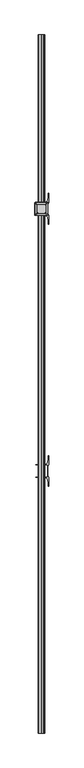
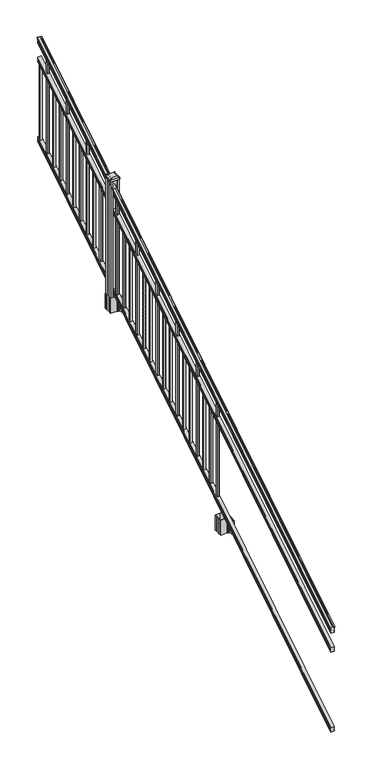
"""IFC4 building model written with IfcOpenShell, lengths in millimetres: railing geometry."""

from ifc_helpers import new_model, si_unit, point, frame, frame_2d, origin, place, context, project, spatial, polyline, circle_curve, ellipse_curve, trimmed, segment, composite_curve, outline, extrude, faceted_brep, source, transform, mapped, element, save
from ifc_brep_helpers import plane_surface, cylinder_surface, revolved_surface, extruded_surface, advanced_brep


def railing_923e1d96(model_context):
    return source(origin(), model_context, "Body", "SolidModel", [
        advanced_brep(
        [(8666.232944, -129368.4628453, 1285.6070492), (8668.8067728, -129368.4628453, 1285.6070492), (8668.8067728, -129368.4628453, 1273.0394336), (8667.7907728, -129368.4628453, 1271.841318), (8667.7907728, -129368.4628453, 1257.3), (8699.5407728, -129368.4628453, 1257.3), (8699.5407728, -129368.4628453, 1272.0274214), (8698.5247728, -129368.4628453, 1273.225537), (8698.5247728, -129368.4628453, 1285.6070492), (8701.0986015, -129368.4628453, 1285.6070492), (8701.0986015, -129368.4628453, 1287.8335658), (8702.2287878, -129368.4628453, 1289.6758543), (8702.2287878, -129368.4628453, 1298.1876358), (8701.5795314, -129368.4628453, 1301.0572588), (8704.0795314, -129368.4628453, 1306.1635509), (8705.4888739, -129368.4628453, 1308.1442021), (8705.8907729, -129368.4628453, 1309.4469579), (8705.8907728, -129368.4628453, 1311.0274846), (8704.3373255, -129368.4628453, 1312.8593836), (8683.6657728, -129368.4628453, 1312.8593836), (8662.99422, -129368.4628453, 1312.8593836), (8661.4407728, -129368.4628453, 1311.0274846), (8661.4407728, -129368.4628453, 1309.4469579), (8661.8426717, -129368.4628453, 1308.1442021), (8663.2520141, -129368.4628453, 1306.1635509), (8665.7520141, -129368.4628453, 1301.0572588), (8665.1027577, -129368.4628453, 1298.1876358), (8665.1027577, -129368.4628453, 1289.6758543), (8666.232944, -129368.4628453, 1287.8335658), (8666.232944, -124491.6628453, 4333.6070492), (8666.232944, -124491.6628453, 4335.8335658), (8665.1027577, -124491.6628453, 4337.6758543), (8665.1027577, -124491.6628453, 4346.1876358), (8665.7520141, -124491.6628453, 4349.0572588), (8663.2520141, -124491.6628453, 4354.1635509), (8661.8426717, -124491.6628453, 4356.1442021), (8661.4407727, -124491.6628453, 4357.4469579), (8661.4407728, -124491.6628453, 4359.0274846), (8662.99422, -124491.6628453, 4360.8593836), (8683.6657728, -124491.6628453, 4360.8593836), (8704.3373255, -124491.6628453, 4360.8593836), (8705.8907728, -124491.6628453, 4359.0274846), (8705.8907728, -124491.6628453, 4357.4469579), (8705.4888739, -124491.6628453, 4356.1442021), (8704.0795314, -124491.6628453, 4354.1635509), (8701.5795314, -124491.6628453, 4349.0572588), (8702.2287878, -124491.6628453, 4346.1876358), (8702.2287878, -124491.6628453, 4337.6758543), (8701.0986015, -124491.6628453, 4335.8335658), (8701.0986015, -124491.6628453, 4333.6070492), (8698.5247728, -124491.6628453, 4333.6070492), (8698.5247728, -124491.6628453, 4321.225537), (8699.5407728, -124491.6628453, 4320.0274214), (8699.5407728, -124491.6628453, 4305.3), (8667.7907728, -124491.6628453, 4305.3), (8667.7907728, -124491.6628453, 4319.841318), (8668.8067728, -124491.6628453, 4321.0394336), (8668.8067728, -124491.6628453, 4333.6070492)],
        [
            (0, 1, ellipse_curve(frame((8667.5198584, -129368.4628453, 1285.6070492), z_axis=(0.0, -1.0, 0.0), x_axis=(0.0, 0.0, -1.0)), 1.5175907, 1.2869144)),
            (1, 2),
            (2, 3),
            (3, 4),
            (4, 5),
            (5, 6),
            (6, 7),
            (7, 8),
            (8, 9, ellipse_curve(frame((8699.8116871, -129368.4628453, 1285.6070492), z_axis=(0.0, -1.0, 0.0), x_axis=(0.0, 0.0, -1.0)), 1.5175907, 1.2869144)),
            (9, 10),
            (10, 11, ellipse_curve(frame((8694.7838482, -129368.4628453, 1294.6239405), z_axis=(0.0, -1.0, 0.0), x_axis=(0.0, 0.0, -1.0)), 10.0777926, 8.545951)),
            (11, 12, ellipse_curve(frame((8695.2209112, -129368.4628453, 1293.9317451), z_axis=(0.0, -1.0, 0.0), x_axis=(0.0, 0.0, -1.0)), 9.2955186, 7.882584)),
            (12, 13, ellipse_curve(frame((8705.7342353, -129368.4628453, 1300.8275077), z_axis=(0.0, 1.0, 0.0), x_axis=(0.0, 0.0, 1.0)), 4.9048088, 4.1592695)),
            (13, 14, ellipse_curve(frame((8707.0215419, -129368.4628453, 1300.7563208), z_axis=(0.0, 1.0, 0.0), x_axis=(0.0, 0.0, 1.0)), 6.4245301, 5.4479907)),
            (14, 15, ellipse_curve(frame((8705.7883834, -129368.4628453, 1306.1602333), z_axis=(0.0, 1.0, 0.0), x_axis=(0.0, 0.0, 1.0)), 2.0151625, 1.7088543)),
            (15, 16, ellipse_curve(frame((8704.1714833, -129368.4628453, 1309.4469579), z_axis=(0.0, -1.0, 0.0), x_axis=(0.0, 0.0, -1.0)), 2.0274681, 1.7192895)),
            (16, 17),
            (17, 18, ellipse_curve(frame((8704.3373255, -129368.4628453, 1311.0274846), z_axis=(0.0, -1.0, 0.0), x_axis=(0.0, 0.0, -1.0)), 1.831899, 1.5534472)),
            (18, 19),
            (19, 20),
            (20, 21, ellipse_curve(frame((8662.99422, -129368.4628453, 1311.0274846), z_axis=(0.0, -1.0, 0.0), x_axis=(0.0, 0.0, -1.0)), 1.831899, 1.5534472)),
            (21, 22),
            (22, 23, ellipse_curve(frame((8663.1600622, -129368.4628453, 1309.4469579), z_axis=(0.0, -1.0, 0.0), x_axis=(0.0, 0.0, -1.0)), 2.0274681, 1.7192895)),
            (23, 24, ellipse_curve(frame((8661.5431621, -129368.4628453, 1306.1602333), z_axis=(0.0, 1.0, 0.0), x_axis=(0.0, 0.0, 1.0)), 2.0151625, 1.7088543)),
            (24, 25, ellipse_curve(frame((8660.3100037, -129368.4628453, 1300.7563208), z_axis=(0.0, 1.0, 0.0), x_axis=(0.0, 0.0, 1.0)), 6.4245301, 5.4479907)),
            (25, 26, ellipse_curve(frame((8661.5973102, -129368.4628453, 1300.8275077), z_axis=(0.0, 1.0, 0.0), x_axis=(0.0, 0.0, 1.0)), 4.9048088, 4.1592695)),
            (26, 27, ellipse_curve(frame((8672.1106343, -129368.4628453, 1293.9317451), z_axis=(0.0, -1.0, 0.0), x_axis=(0.0, 0.0, -1.0)), 9.2955186, 7.882584)),
            (27, 28, ellipse_curve(frame((8672.5476973, -129368.4628453, 1294.6239405), z_axis=(0.0, -1.0, 0.0), x_axis=(0.0, 0.0, -1.0)), 10.0777926, 8.545951)),
            (28, 0),
            (29, 30),
            (30, 31, ellipse_curve(frame((8672.5476973, -124491.6628453, 4342.6239405), z_axis=(0.0, 1.0, 0.0), x_axis=(0.0, 0.0, -1.0)), 10.0777926, 8.545951)),
            (31, 32, ellipse_curve(frame((8672.1106343, -124491.6628453, 4341.9317451), z_axis=(0.0, 1.0, 0.0), x_axis=(0.0, 0.0, -1.0)), 9.2955186, 7.882584)),
            (32, 33, ellipse_curve(frame((8661.5973102, -124491.6628453, 4348.8275077), z_axis=(0.0, -1.0, 0.0), x_axis=(0.0, 0.0, 1.0)), 4.9048088, 4.1592695)),
            (33, 34, ellipse_curve(frame((8660.3100037, -124491.6628453, 4348.7563208), z_axis=(0.0, -1.0, 0.0), x_axis=(0.0, 0.0, 1.0)), 6.4245301, 5.4479907)),
            (34, 35, ellipse_curve(frame((8661.5431621, -124491.6628453, 4354.1602333), z_axis=(0.0, -1.0, 0.0), x_axis=(0.0, 0.0, 1.0)), 2.0151625, 1.7088543)),
            (35, 36, ellipse_curve(frame((8663.1600622, -124491.6628453, 4357.4469579), z_axis=(0.0, 1.0, 0.0), x_axis=(0.0, 0.0, -1.0)), 2.0274681, 1.7192895)),
            (36, 37),
            (37, 38, ellipse_curve(frame((8662.99422, -124491.6628453, 4359.0274846), z_axis=(0.0, 1.0, 0.0), x_axis=(0.0, 0.0, -1.0)), 1.831899, 1.5534472)),
            (38, 39),
            (39, 40),
            (40, 41, ellipse_curve(frame((8704.3373255, -124491.6628453, 4359.0274846), z_axis=(0.0, 1.0, 0.0), x_axis=(0.0, 0.0, -1.0)), 1.831899, 1.5534472)),
            (41, 42),
            (42, 43, ellipse_curve(frame((8704.1714833, -124491.6628453, 4357.4469579), z_axis=(0.0, 1.0, 0.0), x_axis=(0.0, 0.0, -1.0)), 2.0274681, 1.7192895)),
            (43, 44, ellipse_curve(frame((8705.7883834, -124491.6628453, 4354.1602333), z_axis=(0.0, -1.0, 0.0), x_axis=(0.0, 0.0, 1.0)), 2.0151625, 1.7088543)),
            (44, 45, ellipse_curve(frame((8707.0215419, -124491.6628453, 4348.7563208), z_axis=(0.0, -1.0, 0.0), x_axis=(0.0, 0.0, 1.0)), 6.4245301, 5.4479907)),
            (45, 46, ellipse_curve(frame((8705.7342353, -124491.6628453, 4348.8275077), z_axis=(0.0, -1.0, 0.0), x_axis=(0.0, 0.0, 1.0)), 4.9048088, 4.1592695)),
            (46, 47, ellipse_curve(frame((8695.2209112, -124491.6628453, 4341.9317451), z_axis=(0.0, 1.0, 0.0), x_axis=(0.0, 0.0, -1.0)), 9.2955186, 7.882584)),
            (47, 48, ellipse_curve(frame((8694.7838482, -124491.6628453, 4342.6239405), z_axis=(0.0, 1.0, 0.0), x_axis=(0.0, 0.0, -1.0)), 10.0777926, 8.545951)),
            (48, 49),
            (49, 50, ellipse_curve(frame((8699.8116871, -124491.6628453, 4333.6070492), z_axis=(0.0, 1.0, 0.0), x_axis=(0.0, 0.0, -1.0)), 1.5175907, 1.2869144)),
            (50, 51),
            (51, 52),
            (52, 53),
            (53, 54),
            (54, 55),
            (55, 56),
            (56, 57),
            (57, 29, ellipse_curve(frame((8667.5198584, -124491.6628453, 4333.6070492), z_axis=(0.0, 1.0, 0.0), x_axis=(0.0, 0.0, -1.0)), 1.5175907, 1.2869144)),
            (28, 30),
            (29, 0),
            (27, 31),
            (26, 32),
            (25, 33),
            (24, 34),
            (23, 35),
            (22, 36),
            (21, 37),
            (20, 38),
            (19, 39),
            (18, 40),
            (17, 41),
            (16, 42),
            (15, 43),
            (14, 44),
            (13, 45),
            (12, 46),
            (11, 47),
            (10, 48),
            (9, 49),
            (8, 50),
            (7, 51),
            (6, 52),
            (5, 53),
            (4, 54),
            (3, 55),
            (2, 56),
            (1, 57),
        ],
        [
            plane_surface(frame((8683.6657728, -129368.4628453, 1257.3), z_axis=(0.0, -1.0, 0.0), x_axis=(0.0, 0.0, 1.0))),
            plane_surface(frame((8683.6657728, -124491.6628453, 4305.3), z_axis=(0.0, 1.0, 0.0), x_axis=(0.0, 0.0, 1.0))),
            plane_surface(frame((8666.232944, -129368.4628453, 1287.8335658), z_axis=(-1.0, 0.0, 0.0), x_axis=(0.0, 0.8479983040051252, 0.5299989400031204))),
            cylinder_surface(frame((8672.5476973, -129385.23765, 1284.1396876), z_axis=(0.0, -0.8479983040051253, -0.5299989400031204), x_axis=(1.0, 0.0, 0.0)), 8.545951),
            cylinder_surface(frame((8672.1106343, -129384.9265509, 1283.641929), z_axis=(0.0, -0.8479983040051253, -0.5299989400031204), x_axis=(1.0, 0.0, 0.0)), 7.882584),
            revolved_surface(polyline([(8665.7565797, -124489.45843685034, 4350.205262980551), (8665.7565797, -129370.66725374945, 1299.4497524190954)]), (8661.5973102, -129388.0257701, 1288.6006797), (0.0, 0.8479983040051253, 0.5299989400031204)),
            revolved_surface(polyline([(8665.7579944, -124488.77541603574, 4350.5609640771845), (8665.7579944, -129371.35027455281, 1298.9516775044929)]), (8660.3100037, -129387.993776, 1288.5494891), (0.0, 0.8479983040051253, 0.5299989400031204)),
            revolved_surface(polyline([(8663.252016400002, -124490.75715429979, 4354.726290199658), (8663.252016400002, -129369.36853632248, 1305.5941764359545)]), (8661.5431621, -129390.4225007, 1292.4354487), (0.0, 0.8479983040051253, 0.5299989400031204)),
            cylinder_surface(frame((8663.1600622, -129391.8996803, 1294.798936), z_axis=(0.0, -0.8479983040051253, -0.5299989400031204), x_axis=(1.0, 0.0, 0.0)), 1.7192895),
            plane_surface(frame((8661.4407728, -129368.4628453, 1311.0274846), z_axis=(-1.0000000000000002, 0.0, 0.0), x_axis=(0.0, 0.8479983040051253, 0.5299989400031204))),
            cylinder_surface(frame((8662.99422, -129392.6100294, 1295.9354945), z_axis=(0.0, -0.8479983040051253, -0.5299989400031204), x_axis=(1.0, 0.0, 0.0)), 1.5534472),
            plane_surface(frame((8683.6657728, -129368.4628453, 1312.8593836), z_axis=(0.0, -0.5299989400031204, 0.8479983040051252), x_axis=(0.0, 0.8479983040051252, 0.5299989400031204))),
            plane_surface(frame((8704.3373255, -129368.4628453, 1312.8593836), z_axis=(0.0, -0.5299989400031204, 0.8479983040051252), x_axis=(0.0, 0.8479983040051252, 0.5299989400031204))),
            cylinder_surface(frame((8704.3373255, -129392.6100294, 1295.9354945), z_axis=(0.0, -0.8479983040051253, -0.5299989400031204), x_axis=(-1.0, 0.0, 0.0)), 1.5534472),
            plane_surface(frame((8705.8907728, -129368.4628453, 1309.4469579), z_axis=(1.0, 0.0, 0.0), x_axis=(0.0, 0.8479983040051252, 0.5299989400031204))),
            cylinder_surface(frame((8704.1714833, -129391.8996803, 1294.798936), z_axis=(0.0, -0.8479983040051253, -0.5299989400031204), x_axis=(-1.0, 0.0, 0.0)), 1.7192895),
            revolved_surface(polyline([(8704.0795291, -124490.75715429979, 4354.726290199658), (8704.0795291, -129369.36853632248, 1305.5941764359545)]), (8705.7883834, -129390.4225007, 1292.4354487), (0.0, 0.8479983040051253, 0.5299989400031204)),
            revolved_surface(polyline([(8701.5735512, -124488.77541603574, 4350.5609640771845), (8701.5735512, -129371.35027455281, 1298.9516775044929)]), (8707.0215419, -129387.993776, 1288.5494891), (0.0, 0.8479983040051253, 0.5299989400031204)),
            revolved_surface(polyline([(8701.5749658, -124489.45843685034, 4350.205262980551), (8701.5749658, -129370.66725374945, 1299.4497524190954)]), (8705.7342353, -129388.0257701, 1288.6006797), (0.0, 0.8479983040051253, 0.5299989400031204)),
            cylinder_surface(frame((8695.2209112, -129384.9265509, 1283.641929), z_axis=(0.0, -0.8479983040051253, -0.5299989400031204), x_axis=(-1.0, 0.0, 0.0)), 7.882584),
            cylinder_surface(frame((8694.7838482, -129385.23765, 1284.1396876), z_axis=(0.0, -0.8479983040051253, -0.5299989400031204), x_axis=(-1.0, 0.0, 0.0)), 8.545951),
            plane_surface(frame((8701.0986015, -129368.4628453, 1285.6070492), z_axis=(1.0, 0.0, 0.0), x_axis=(0.0, 0.8479983040051252, 0.5299989400031204))),
            cylinder_surface(frame((8699.8116871, -129381.1851146, 1277.6556309), z_axis=(0.0, -0.8479983040051253, -0.5299989400031204), x_axis=(-1.0, 0.0, 0.0)), 1.2869144),
            plane_surface(frame((8698.5247728, -129368.4628453, 1273.225537), z_axis=(1.0, 0.0, 0.0), x_axis=(0.0, 0.8479983040051252, 0.5299989400031204))),
            plane_surface(frame((8699.5407728, -129368.4628453, 1272.0274214), z_axis=(0.7071067811865425, -0.37476584449789213, 0.5996253511967194), x_axis=(0.0, 0.8479983040051252, 0.5299989400031204))),
            plane_surface(frame((8699.5407728, -129368.4628453, 1257.3), z_axis=(1.0000000000000002, 0.0, 0.0), x_axis=(0.0, 0.8479983040051253, 0.5299989400031204))),
            plane_surface(frame((8667.7907728, -129368.4628453, 1257.3), z_axis=(0.0, 0.5299989400031204, -0.8479983040051252), x_axis=(0.0, 0.8479983040051252, 0.5299989400031204))),
            plane_surface(frame((8667.7907728, -129368.4628453, 1271.841318), z_axis=(-1.0, 0.0, 0.0), x_axis=(0.0, 0.8479983040051253, 0.5299989400031203))),
            plane_surface(frame((8668.8067728, -129368.4628453, 1273.0394336), z_axis=(-0.7071067811865401, -0.3747658444978918, 0.5996253511967222), x_axis=(0.0, 0.8479983040051252, 0.5299989400031204))),
            plane_surface(frame((8668.8067728, -129368.4628453, 1285.6070492), z_axis=(-1.0, 0.0, 0.0), x_axis=(0.0, 0.8479983040051252, 0.5299989400031204))),
            cylinder_surface(frame((8667.5198584, -129381.1851146, 1277.6556309), z_axis=(0.0, -0.8479983040051253, -0.5299989400031204), x_axis=(1.0, 0.0, 0.0)), 1.2869144),
        ],
        [
            (0, [[1, 2, 3, 4, 5, 6, 7, 8, 9, 10, 11, 12, 13, 14, 15, 16, 17, 18, 19, 20, 21, 22, 23, 24, 25, 26, 27, 28, 29]]),
            (1, [[30, 31, 32, 33, 34, 35, 36, 37, 38, 39, 40, 41, 42, 43, 44, 45, 46, 47, 48, 49, 50, 51, 52, 53, 54, 55, 56, 57, 58]]),
            (2, [[-29, 59, -30, 60]]),
            (3, [[-28, 61, -31, -59]]),
            (4, [[-27, 62, -32, -61]]),
            (5, [[-26, 63, -33, -62]]),
            (6, [[-25, 64, -34, -63]]),
            (7, [[-24, 65, -35, -64]]),
            (8, [[-23, 66, -36, -65]]),
            (9, [[-22, 67, -37, -66]]),
            (10, [[-21, 68, -38, -67]]),
            (11, [[-20, 69, -39, -68]]),
            (12, [[-19, 70, -40, -69]]),
            (13, [[-18, 71, -41, -70]]),
            (14, [[-17, 72, -42, -71]]),
            (15, [[-16, 73, -43, -72]]),
            (16, [[-15, 74, -44, -73]]),
            (17, [[-14, 75, -45, -74]]),
            (18, [[-13, 76, -46, -75]]),
            (19, [[-12, 77, -47, -76]]),
            (20, [[-11, 78, -48, -77]]),
            (21, [[-10, 79, -49, -78]]),
            (22, [[-9, 80, -50, -79]]),
            (23, [[-8, 81, -51, -80]]),
            (24, [[-7, 82, -52, -81]]),
            (25, [[-6, 83, -53, -82]]),
            (26, [[-5, 84, -54, -83]]),
            (27, [[-4, 85, -55, -84]]),
            (28, [[-3, 86, -56, -85]]),
            (29, [[-2, 87, -57, -86]]),
            (30, [[-1, -60, -58, -87]]),
        ],
    ),
        faceted_brep([(8667.7532859, -129368.4628453, 1081.6045079), (8667.7532859, -129368.4628453, 1066.8), (8699.5032859, -129368.4628453, 1066.8), (8699.5032859, -129368.4628453, 1081.5848772), (8698.4872859, -129368.4628453, 1083.1748303), (8698.4872859, -129368.4628453, 1095.3348741), (8699.5032859, -129368.4628453, 1096.9248272), (8699.5032859, -129368.4628453, 1111.7244744), (8667.7532859, -129368.4628453, 1111.7244744), (8667.7532859, -129368.4628453, 1096.9444579), (8668.7692859, -129368.4628453, 1095.3545048), (8668.7692859, -129368.4628453, 1083.138026), (8667.7532859, -124491.6628453, 4129.6045079), (8668.7692859, -124491.6628453, 4131.138026), (8668.7692859, -124491.6628453, 4143.3545048), (8667.7532859, -124491.6628453, 4144.9444579), (8667.7532859, -124491.6628453, 4159.7244744), (8699.5032859, -124491.6628453, 4159.7244744), (8699.5032859, -124491.6628453, 4144.9248272), (8698.4872859, -124491.6628453, 4143.3348741), (8698.4872859, -124491.6628453, 4131.1748303), (8699.5032859, -124491.6628453, 4129.5848772), (8699.5032859, -124491.6628453, 4114.8), (8667.7532859, -124491.6628453, 4114.8)], [[[0, 1, 2, 3, 4, 5, 6, 7, 8, 9, 10, 11]], [[12, 13, 14, 15, 16, 17, 18, 19, 20, 21, 22, 23]], [[0, 11, 13, 12]], [[11, 10, 14, 13]], [[10, 9, 15, 14]], [[9, 8, 16, 15]], [[8, 7, 17, 16]], [[7, 6, 18, 17]], [[6, 5, 19, 18]], [[5, 4, 20, 19]], [[4, 3, 21, 20]], [[3, 2, 22, 21]], [[2, 1, 23, 22]], [[1, 0, 12, 23]]]),
        faceted_brep([(8667.7532859, -129368.4628453, 268.8045079), (8667.7532859, -129368.4628453, 254.0), (8699.5032859, -129368.4628453, 254.0), (8699.5032859, -129368.4628453, 268.7848772), (8698.4872859, -129368.4628453, 270.3748303), (8698.4872859, -129368.4628453, 282.5348741), (8699.5032859, -129368.4628453, 284.1248272), (8699.5032859, -129368.4628453, 298.9244744), (8667.7532859, -129368.4628453, 298.9244744), (8667.7532859, -129368.4628453, 284.1444579), (8668.7692859, -129368.4628453, 282.5545048), (8668.7692859, -129368.4628453, 270.338026), (8667.7532859, -124491.6628453, 3316.8045079), (8668.7692859, -124491.6628453, 3318.338026), (8668.7692859, -124491.6628453, 3330.5545048), (8667.7532859, -124491.6628453, 3332.1444579), (8667.7532859, -124491.6628453, 3346.9244744), (8699.5032859, -124491.6628453, 3346.9244744), (8699.5032859, -124491.6628453, 3332.1248272), (8698.4872859, -124491.6628453, 3330.5348741), (8698.4872859, -124491.6628453, 3318.3748303), (8699.5032859, -124491.6628453, 3316.7848772), (8699.5032859, -124491.6628453, 3302.0), (8667.7532859, -124491.6628453, 3302.0)], [[[0, 1, 2, 3, 4, 5, 6, 7, 8, 9, 10, 11]], [[12, 13, 14, 15, 16, 17, 18, 19, 20, 21, 22, 23]], [[1, 0, 12, 23]], [[7, 6, 18, 17]], [[9, 8, 16, 15]], [[11, 10, 14, 13]], [[2, 1, 23, 22]], [[3, 2, 22, 21]], [[4, 3, 21, 20]], [[5, 4, 20, 19]], [[6, 5, 19, 18]], [[8, 7, 17, 16]], [[10, 9, 15, 14]], [[0, 11, 13, 12]]]),
        extrude(outline(polyline([(8674.1407728, -124522.7778453), (8674.1407728, -124503.7278453), (8693.1907728, -124503.7278453), (8693.1907728, -124522.7778453), (8674.1407728, -124522.7778453)]), holes=[polyline([(8674.5376478, -124522.3809703), (8692.7938978, -124522.3809703), (8692.7938978, -124504.1247203), (8674.5376478, -124504.1247203), (8674.5376478, -124522.3809703)])]), frame((0.0, 0.0, 3326.6021281), z_axis=(0.0, 0.0, 1.0), x_axis=(1.0, 0.0, 0.0)), (0.0, 0.0, 1.0), 774.7041219),
        extrude(outline(polyline([(8674.1407728, -124634.0298453), (8674.1407728, -124614.9798453), (8693.1907728, -124614.9798453), (8693.1907728, -124634.0298453), (8674.1407728, -124634.0298453)]), holes=[polyline([(8674.5376478, -124633.6329703), (8692.7938978, -124633.6329703), (8692.7938978, -124615.3767203), (8674.5376478, -124615.3767203), (8674.5376478, -124633.6329703)])]), frame((0.0, 0.0, 3257.0696281), z_axis=(0.0, 0.0, 1.0), x_axis=(1.0, 0.0, 0.0)), (0.0, 0.0, 1.0), 965.2041219),
        extrude(outline(polyline([(8674.1407728, -124745.2818453), (8674.1407728, -124726.2318453), (8693.1907728, -124726.2318453), (8693.1907728, -124745.2818453), (8674.1407728, -124745.2818453)]), holes=[polyline([(8674.5376478, -124744.8849703), (8692.7938978, -124744.8849703), (8692.7938978, -124726.6287203), (8674.5376478, -124726.6287203), (8674.5376478, -124744.8849703)])]), frame((0.0, 0.0, 3187.5371281), z_axis=(0.0, 0.0, 1.0), x_axis=(1.0, 0.0, 0.0)), (0.0, 0.0, 1.0), 774.7041219),
        extrude(outline(polyline([(8674.1407728, -124856.5338453), (8674.1407728, -124837.4838453), (8693.1907728, -124837.4838453), (8693.1907728, -124856.5338453), (8674.1407728, -124856.5338453)]), holes=[polyline([(8674.5376478, -124856.1369703), (8692.7938978, -124856.1369703), (8692.7938978, -124837.8807203), (8674.5376478, -124837.8807203), (8674.5376478, -124856.1369703)])]), frame((0.0, 0.0, 3118.0046281), z_axis=(0.0, 0.0, 1.0), x_axis=(1.0, 0.0, 0.0)), (0.0, 0.0, 1.0), 774.7041219),
        extrude(outline(polyline([(8674.1407728, -124967.7858453), (8674.1407728, -124948.7358453), (8693.1907728, -124948.7358453), (8693.1907728, -124967.7858453), (8674.1407728, -124967.7858453)]), holes=[polyline([(8674.5376478, -124967.3889703), (8692.7938978, -124967.3889703), (8692.7938978, -124949.1327203), (8674.5376478, -124949.1327203), (8674.5376478, -124967.3889703)])]), frame((0.0, 0.0, 3048.4721281), z_axis=(0.0, 0.0, 1.0), x_axis=(1.0, 0.0, 0.0)), (0.0, 0.0, 1.0), 965.2041219),
        extrude(outline(polyline([(8674.1407728, -125079.0378453), (8674.1407728, -125059.9878453), (8693.1907728, -125059.9878453), (8693.1907728, -125079.0378453), (8674.1407728, -125079.0378453)]), holes=[polyline([(8674.5376478, -125078.6409703), (8692.7938978, -125078.6409703), (8692.7938978, -125060.3847203), (8674.5376478, -125060.3847203), (8674.5376478, -125078.6409703)])]), frame((0.0, 0.0, 2978.9396281), z_axis=(0.0, 0.0, 1.0), x_axis=(1.0, 0.0, 0.0)), (0.0, 0.0, 1.0), 774.7041219),
        extrude(outline(polyline([(8674.1407728, -125190.2898453), (8674.1407728, -125171.2398453), (8693.1907728, -125171.2398453), (8693.1907728, -125190.2898453), (8674.1407728, -125190.2898453)]), holes=[polyline([(8674.5376478, -125189.8929703), (8692.7938978, -125189.8929703), (8692.7938978, -125171.6367203), (8674.5376478, -125171.6367203), (8674.5376478, -125189.8929703)])]), frame((0.0, 0.0, 2909.4071281), z_axis=(0.0, 0.0, 1.0), x_axis=(1.0, 0.0, 0.0)), (0.0, 0.0, 1.0), 774.7041219),
        extrude(outline(polyline([(8674.1407728, -125301.5418453), (8674.1407728, -125282.4918453), (8693.1907728, -125282.4918453), (8693.1907728, -125301.5418453), (8674.1407728, -125301.5418453)]), holes=[polyline([(8674.5376478, -125301.1449703), (8692.7938978, -125301.1449703), (8692.7938978, -125282.8887203), (8674.5376478, -125282.8887203), (8674.5376478, -125301.1449703)])]), frame((0.0, 0.0, 2839.8746281), z_axis=(0.0, 0.0, 1.0), x_axis=(1.0, 0.0, 0.0)), (0.0, 0.0, 1.0), 965.2041219),
        extrude(outline(polyline([(8674.1407728, -125412.7938453), (8674.1407728, -125393.7438453), (8693.1907728, -125393.7438453), (8693.1907728, -125412.7938453), (8674.1407728, -125412.7938453)]), holes=[polyline([(8674.5376478, -125412.3969703), (8692.7938978, -125412.3969703), (8692.7938978, -125394.1407203), (8674.5376478, -125394.1407203), (8674.5376478, -125412.3969703)])]), frame((0.0, 0.0, 2770.3421281), z_axis=(0.0, 0.0, 1.0), x_axis=(1.0, 0.0, 0.0)), (0.0, 0.0, 1.0), 774.7041219),
        extrude(outline(polyline([(8674.1407728, -125524.0458453), (8674.1407728, -125504.9958453), (8693.1907728, -125504.9958453), (8693.1907728, -125524.0458453), (8674.1407728, -125524.0458453)]), holes=[polyline([(8674.5376478, -125523.6489703), (8692.7938978, -125523.6489703), (8692.7938978, -125505.3927203), (8674.5376478, -125505.3927203), (8674.5376478, -125523.6489703)])]), frame((0.0, 0.0, 2700.8096281), z_axis=(0.0, 0.0, 1.0), x_axis=(1.0, 0.0, 0.0)), (0.0, 0.0, 1.0), 774.7041219),
        extrude(outline(polyline([(8674.1407728, -125635.2978453), (8674.1407728, -125616.2478453), (8693.1907728, -125616.2478453), (8693.1907728, -125635.2978453), (8674.1407728, -125635.2978453)]), holes=[polyline([(8674.5376478, -125634.9009703), (8692.7938978, -125634.9009703), (8692.7938978, -125616.6447203), (8674.5376478, -125616.6447203), (8674.5376478, -125634.9009703)])]), frame((0.0, 0.0, 2631.2771281), z_axis=(0.0, 0.0, 1.0), x_axis=(1.0, 0.0, 0.0)), (0.0, 0.0, 1.0), 965.2041219),
        extrude(outline(composite_curve([segment(polyline([(8640.9302728, -125724.1849401), (8640.9302728, -125689.4127504), (8639.3427728, -125688.6507504), (8639.3427728, -125665.8488224), (8642.7157498, -125662.4758453), (8704.1754206, -125662.4758453), (8704.1754206, -125661.5550953), (8709.4929645, -125661.5550953), (8709.4929645, -125660.1008406), (8714.5774942, -125660.1008406), (8714.5774942, -125658.8168168), (8716.2447665, -125658.8168168)]), True, "CONTINUOUS"), segment(trimmed(circle_curve(frame_2d((8716.2447665, -125651.7573569)), 7.0594599), [point((8716.2447665, -125658.8168168))], [point((8723.0120293, -125653.7673636))], True, "CARTESIAN"), True, "CONTINUOUS"), segment(polyline([(8723.0120293, -125653.7673636), (8730.8862236, -125627.2566345)]), True, "CONTINUOUS"), segment(trimmed(circle_curve(frame_2d((8676.1017103, -125610.9845848)), 57.15), [point((8730.8862236, -125627.2566345))], [point((8733.2517103, -125610.9845848))], True, "CARTESIAN"), True, "CONTINUOUS"), segment(polyline([(8733.2517103, -125610.9845848), (8733.2517103, -125598.9758453), (8736.2517103, -125598.9758453), (8736.2517103, -125664.0633453), (8727.9887728, -125675.4016366), (8727.9887728, -125688.6507504), (8726.4012728, -125689.4127504), (8726.4012728, -125724.1849401), (8727.9887728, -125724.9469401), (8727.9887728, -125738.196054), (8736.2517103, -125749.5343453), (8736.2517103, -125814.6218453), (8733.2517103, -125814.6218453), (8733.2517103, -125802.6131057)]), True, "CONTINUOUS"), segment(trimmed(circle_curve(frame_2d((8676.1017103, -125802.6131057)), 57.15), [point((8733.2517103, -125802.6131057))], [point((8730.8862236, -125786.3410561))], True, "CARTESIAN"), True, "CONTINUOUS"), segment(polyline([(8730.8862236, -125786.3410561), (8723.0120293, -125759.830327)]), True, "CONTINUOUS"), segment(trimmed(circle_curve(frame_2d((8716.2447665, -125761.8403337)), 7.0594599), [point((8723.0120293, -125759.830327))], [point((8716.2447665, -125754.7808738))], True, "CARTESIAN"), True, "CONTINUOUS"), segment(polyline([(8716.2447665, -125754.7808738), (8714.5774942, -125754.7808738), (8714.5774942, -125753.49685), (8709.4929645, -125753.49685), (8709.4929645, -125752.0425953), (8704.1754206, -125752.0425953), (8704.1754206, -125751.1218453), (8642.7157498, -125751.1218453), (8639.3427728, -125747.7488682), (8639.3427728, -125724.9469401), (8640.9302728, -125724.1849401)]), True, "CONTINUOUS")], self_intersect=False), holes=[polyline([(8724.9407728, -125667.1113453), (8723.3532728, -125665.5238453), (8686.4289902, -125665.5238453), (8643.9782728, -125665.5238453), (8642.3907728, -125667.1113453), (8642.3907728, -125746.4863453), (8643.9782728, -125748.0738453), (8686.4289902, -125748.0738453), (8723.3532728, -125748.0738453), (8724.9407728, -125746.4863453), (8724.9407728, -125667.1113453)])]), frame((0.0, 0.0, 2326.64), z_axis=(0.0, 0.0, 1.0), x_axis=(1.0, 0.0, 0.0)), (0.0, 0.0, 1.0), 152.4),
        advanced_brep(
        [(8709.4626478, -125735.7707203, 3691.379263), (8712.6376478, -125732.5957203, 3691.379263), (8712.6376478, -125681.0019703, 3691.379263), (8709.4626478, -125677.8269703, 3691.379263), (8657.8688978, -125677.8269703, 3691.379263), (8654.6938978, -125681.0019703, 3691.379263), (8654.6938978, -125732.5957203, 3691.379263), (8657.8688978, -125735.7707203, 3691.379263), (8725.7345228, -125752.0425953, 3680.076263), (8641.5970228, -125752.0425953, 3680.076263), (8638.4220228, -125748.8675953, 3680.076263), (8638.4220228, -125664.7300953, 3680.076263), (8641.5970228, -125661.5550953, 3680.076263), (8725.7345228, -125661.5550953, 3680.076263), (8728.9095228, -125664.7300953, 3680.076263), (8728.9095228, -125748.8675953, 3680.076263)],
        [
            (0, 1, circle_curve(frame((8709.4626478, -125732.5957203, 3691.379263), z_axis=(0.0, 0.0, 1.0), x_axis=(0.0, 1.0, 0.0)), 3.175)),
            (1, 2),
            (2, 3, circle_curve(frame((8709.4626478, -125681.0019703, 3691.379263), z_axis=(0.0, 0.0, 1.0), x_axis=(0.0, 1.0, 0.0)), 3.175)),
            (3, 4),
            (4, 5, circle_curve(frame((8657.8688978, -125681.0019703, 3691.379263), z_axis=(0.0, 0.0, 1.0), x_axis=(0.0, 1.0, 0.0)), 3.175)),
            (5, 6),
            (6, 7, circle_curve(frame((8657.8688978, -125732.5957203, 3691.379263), z_axis=(0.0, 0.0, 1.0), x_axis=(0.0, 1.0, 0.0)), 3.175)),
            (7, 0),
            (8, 9),
            (9, 10, circle_curve(frame((8641.5970228, -125748.8675953, 3680.076263), z_axis=(0.0, 0.0, -1.0), x_axis=(0.0, 1.0, 0.0)), 3.175)),
            (10, 11),
            (11, 12, circle_curve(frame((8641.5970228, -125664.7300953, 3680.076263), z_axis=(0.0, 0.0, -1.0), x_axis=(0.0, 1.0, 0.0)), 3.175)),
            (12, 13),
            (13, 14, circle_curve(frame((8725.7345228, -125664.7300953, 3680.076263), z_axis=(0.0, 0.0, -1.0), x_axis=(0.0, 1.0, 0.0)), 3.175)),
            (14, 15),
            (15, 8, circle_curve(frame((8725.7345228, -125748.8675953, 3680.076263), z_axis=(0.0, 0.0, -1.0), x_axis=(0.0, 1.0, 0.0)), 3.175)),
            (15, 1),
            (0, 8),
            (14, 2),
            (13, 3),
            (12, 4),
            (11, 5),
            (10, 6),
            (9, 7),
        ],
        [
            plane_surface(frame((8683.6657728, -125706.7988453, 3691.379263), z_axis=(0.0, 0.0, 1.0), x_axis=(1.0, 0.0, 0.0))),
            plane_surface(frame((8683.6657728, -125706.7988453, 3680.076263), z_axis=(0.0, 0.0, -1.0), x_axis=(1.0, 0.0, 0.0))),
            extruded_surface(trimmed(circle_curve(frame((8725.7345228, -125748.8675953, 3680.076263), z_axis=(0.0, 0.0, 1.0), x_axis=(0.0, 1.0, 0.0)), 3.175), [point((8725.7345228, -125752.0425953, 3680.076263))], [point((8728.9095228, -125748.8675953, 3680.076263))], True, "CARTESIAN"), (-16.271875000000364, 16.27187500000582, 11.302999999999884), 25.637972638870036),
            plane_surface(frame((8728.9095228, -125706.7988453, 3680.076263), z_axis=(0.5705009161540778, 0.0, 0.8212969649690408), x_axis=(0.0, 1.0, 0.0))),
            extruded_surface(trimmed(circle_curve(frame((8725.7345228, -125664.7300953, 3680.076263), z_axis=(0.0, 0.0, 1.0), x_axis=(0.0, 1.0, 0.0)), 3.175), [point((8728.9095228, -125664.7300953, 3680.076263))], [point((8725.7345228, -125661.5550953, 3680.076263))], True, "CARTESIAN"), (-16.271875000000364, -16.27187500000582, 11.302999999999884), 25.637972638870036),
            plane_surface(frame((8683.6657728, -125661.5550953, 3680.076263), z_axis=(0.0, 0.5705009161540291, 0.8212969649690747), x_axis=(-1.0, 0.0, 0.0))),
            extruded_surface(trimmed(circle_curve(frame((8641.5970228, -125664.7300953, 3680.076263), z_axis=(0.0, 0.0, 1.0), x_axis=(0.0, 1.0, 0.0)), 3.175), [point((8641.5970228, -125661.5550953, 3680.076263))], [point((8638.4220228, -125664.7300953, 3680.076263))], True, "CARTESIAN"), (16.271874999998545, -16.27187500000582, 11.302999999999884), 25.63797263886888),
            plane_surface(frame((8638.4220228, -125706.7988453, 3680.076263), z_axis=(-0.5705009161540142, 0.0, 0.8212969649690851), x_axis=(0.0, -1.0, 0.0))),
            extruded_surface(trimmed(circle_curve(frame((8641.5970228, -125748.8675953, 3680.076263), z_axis=(0.0, 0.0, 1.0), x_axis=(0.0, 1.0, 0.0)), 3.175), [point((8638.4220228, -125748.8675953, 3680.076263))], [point((8641.5970228, -125752.0425953, 3680.076263))], True, "CARTESIAN"), (16.271874999998545, 16.27187500000582, 11.302999999999884), 25.63797263886888),
            plane_surface(frame((8683.6657728, -125752.0425953, 3680.076263), z_axis=(0.0, -0.570500916154034, 0.8212969649690713), x_axis=(1.0, 0.0, 0.0))),
        ],
        [
            (0, [[1, 2, 3, 4, 5, 6, 7, 8]]),
            (1, [[9, 10, 11, 12, 13, 14, 15, 16]]),
            (2, [[-16, 17, -1, 18]]),
            (3, [[-15, 19, -2, -17]]),
            (4, [[-14, 20, -3, -19]]),
            (5, [[-13, 21, -4, -20]]),
            (6, [[-12, 22, -5, -21]]),
            (7, [[-11, 23, -6, -22]]),
            (8, [[-10, 24, -7, -23]]),
            (9, [[-9, -18, -8, -24]]),
        ],
    ),
        extrude(outline(composite_curve([segment(polyline([(8725.7345228, -125752.0425953), (8641.5970228, -125752.0425953)]), True, "CONTINUOUS"), segment(trimmed(circle_curve(frame_2d((8641.5970228, -125748.8675953)), 3.175), [point((8641.5970228, -125752.0425953))], [point((8638.4220228, -125748.8675953))], False, "CARTESIAN"), True, "CONTINUOUS"), segment(polyline([(8638.4220228, -125748.8675953), (8638.4220228, -125664.7300953)]), True, "CONTINUOUS"), segment(trimmed(circle_curve(frame_2d((8641.5970228, -125664.7300953)), 3.175), [point((8638.4220228, -125664.7300953))], [point((8641.5970228, -125661.5550953))], False, "CARTESIAN"), True, "CONTINUOUS"), segment(polyline([(8641.5970228, -125661.5550953), (8725.7345228, -125661.5550953)]), True, "CONTINUOUS"), segment(trimmed(circle_curve(frame_2d((8725.7345228, -125664.7300953)), 3.175), [point((8725.7345228, -125661.5550953))], [point((8728.9095228, -125664.7300953))], False, "CARTESIAN"), True, "CONTINUOUS"), segment(polyline([(8728.9095228, -125664.7300953), (8728.9095228, -125748.8675953)]), True, "CONTINUOUS"), segment(trimmed(circle_curve(frame_2d((8725.7345228, -125748.8675953)), 3.175), [point((8728.9095228, -125748.8675953))], [point((8725.7345228, -125752.0425953))], False, "CARTESIAN"), True, "CONTINUOUS")], self_intersect=False)), frame((0.0, 0.0, 3662.804263), z_axis=(0.0, 0.0, 1.0), x_axis=(1.0, 0.0, 0.0)), (0.0, 0.0, 1.0), 17.272),
        extrude(outline(polyline([(8723.3532728, -125748.0738453), (8703.7317728, -125748.0738453), (8702.9697728, -125746.4863453), (8664.3617728, -125746.4863453), (8663.5997728, -125748.0738453), (8643.9782728, -125748.0738453), (8642.3907728, -125746.4863453), (8642.3907728, -125726.8648453), (8643.9782728, -125726.1028453), (8643.9782728, -125687.4948453), (8642.3907728, -125686.7328453), (8642.3907728, -125667.1113453), (8643.9782728, -125665.5238453), (8663.5997728, -125665.5238453), (8664.3617728, -125667.1113453), (8702.9697728, -125667.1113453), (8703.7317728, -125665.5238453), (8723.3532728, -125665.5238453), (8724.9407728, -125667.1113453), (8724.9407728, -125686.7328453), (8723.3532728, -125687.4948453), (8723.3532728, -125726.1028453), (8724.9407728, -125726.8648453), (8724.9407728, -125746.4863453), (8723.3532728, -125748.0738453)])), frame((0.0, 0.0, 2479.04), z_axis=(0.0, 0.0, 1.0), x_axis=(1.0, 0.0, 0.0)), (0.0, 0.0, 1.0), 1183.764263),
        extrude(outline(polyline([(8674.1407728, -125797.3498453), (8674.1407728, -125778.2998453), (8693.1907728, -125778.2998453), (8693.1907728, -125797.3498453), (8674.1407728, -125797.3498453)]), holes=[polyline([(8674.5376478, -125796.9529703), (8692.7938978, -125796.9529703), (8692.7938978, -125778.6967203), (8674.5376478, -125778.6967203), (8674.5376478, -125796.9529703)])]), frame((0.0, 0.0, 2529.9946281), z_axis=(0.0, 0.0, 1.0), x_axis=(1.0, 0.0, 0.0)), (0.0, 0.0, 1.0), 965.2041219),
        extrude(outline(polyline([(8674.1407728, -125908.6018453), (8674.1407728, -125889.5518453), (8693.1907728, -125889.5518453), (8693.1907728, -125908.6018453), (8674.1407728, -125908.6018453)]), holes=[polyline([(8674.5376478, -125908.2049703), (8692.7938978, -125908.2049703), (8692.7938978, -125889.9487203), (8674.5376478, -125889.9487203), (8674.5376478, -125908.2049703)])]), frame((0.0, 0.0, 2460.4621281), z_axis=(0.0, 0.0, 1.0), x_axis=(1.0, 0.0, 0.0)), (0.0, 0.0, 1.0), 774.7041219),
        extrude(outline(polyline([(8674.1407728, -126019.8538453), (8674.1407728, -126000.8038453), (8693.1907728, -126000.8038453), (8693.1907728, -126019.8538453), (8674.1407728, -126019.8538453)]), holes=[polyline([(8674.5376478, -126019.4569703), (8692.7938978, -126019.4569703), (8692.7938978, -126001.2007203), (8674.5376478, -126001.2007203), (8674.5376478, -126019.4569703)])]), frame((0.0, 0.0, 2390.9296281), z_axis=(0.0, 0.0, 1.0), x_axis=(1.0, 0.0, 0.0)), (0.0, 0.0, 1.0), 774.7041219),
        extrude(outline(polyline([(8674.1407728, -126131.1058453), (8674.1407728, -126112.0558453), (8693.1907728, -126112.0558453), (8693.1907728, -126131.1058453), (8674.1407728, -126131.1058453)]), holes=[polyline([(8674.5376478, -126130.7089703), (8692.7938978, -126130.7089703), (8692.7938978, -126112.4527203), (8674.5376478, -126112.4527203), (8674.5376478, -126130.7089703)])]), frame((0.0, 0.0, 2321.3971281), z_axis=(0.0, 0.0, 1.0), x_axis=(1.0, 0.0, 0.0)), (0.0, 0.0, 1.0), 965.2041219),
        extrude(outline(polyline([(8674.1407728, -126242.3578453), (8674.1407728, -126223.3078453), (8693.1907728, -126223.3078453), (8693.1907728, -126242.3578453), (8674.1407728, -126242.3578453)]), holes=[polyline([(8674.5376478, -126241.9609703), (8692.7938978, -126241.9609703), (8692.7938978, -126223.7047203), (8674.5376478, -126223.7047203), (8674.5376478, -126241.9609703)])]), frame((0.0, 0.0, 2251.8646281), z_axis=(0.0, 0.0, 1.0), x_axis=(1.0, 0.0, 0.0)), (0.0, 0.0, 1.0), 774.7041219),
        extrude(outline(polyline([(8674.1407728, -126353.6098453), (8674.1407728, -126334.5598453), (8693.1907728, -126334.5598453), (8693.1907728, -126353.6098453), (8674.1407728, -126353.6098453)]), holes=[polyline([(8674.5376478, -126353.2129703), (8692.7938978, -126353.2129703), (8692.7938978, -126334.9567203), (8674.5376478, -126334.9567203), (8674.5376478, -126353.2129703)])]), frame((0.0, 0.0, 2182.3321281), z_axis=(0.0, 0.0, 1.0), x_axis=(1.0, 0.0, 0.0)), (0.0, 0.0, 1.0), 774.7041219),
        extrude(outline(polyline([(8674.1407728, -126464.8618453), (8674.1407728, -126445.8118453), (8693.1907728, -126445.8118453), (8693.1907728, -126464.8618453), (8674.1407728, -126464.8618453)]), holes=[polyline([(8674.5376478, -126464.4649703), (8692.7938978, -126464.4649703), (8692.7938978, -126446.2087203), (8674.5376478, -126446.2087203), (8674.5376478, -126464.4649703)])]), frame((0.0, 0.0, 2112.7996281), z_axis=(0.0, 0.0, 1.0), x_axis=(1.0, 0.0, 0.0)), (0.0, 0.0, 1.0), 965.2041219),
        extrude(outline(polyline([(8674.1407728, -126576.1138453), (8674.1407728, -126557.0638453), (8693.1907728, -126557.0638453), (8693.1907728, -126576.1138453), (8674.1407728, -126576.1138453)]), holes=[polyline([(8674.5376478, -126575.7169703), (8692.7938978, -126575.7169703), (8692.7938978, -126557.4607203), (8674.5376478, -126557.4607203), (8674.5376478, -126575.7169703)])]), frame((0.0, 0.0, 2043.2671281), z_axis=(0.0, 0.0, 1.0), x_axis=(1.0, 0.0, 0.0)), (0.0, 0.0, 1.0), 774.7041219),
        extrude(outline(polyline([(8674.1407728, -126687.3658453), (8674.1407728, -126668.3158453), (8693.1907728, -126668.3158453), (8693.1907728, -126687.3658453), (8674.1407728, -126687.3658453)]), holes=[polyline([(8674.5376478, -126686.9689703), (8692.7938978, -126686.9689703), (8692.7938978, -126668.7127203), (8674.5376478, -126668.7127203), (8674.5376478, -126686.9689703)])]), frame((0.0, 0.0, 1973.7346281), z_axis=(0.0, 0.0, 1.0), x_axis=(1.0, 0.0, 0.0)), (0.0, 0.0, 1.0), 774.7041219),
        extrude(outline(polyline([(8674.1407728, -126798.6178453), (8674.1407728, -126779.5678453), (8693.1907728, -126779.5678453), (8693.1907728, -126798.6178453), (8674.1407728, -126798.6178453)]), holes=[polyline([(8674.5376478, -126798.2209703), (8692.7938978, -126798.2209703), (8692.7938978, -126779.9647203), (8674.5376478, -126779.9647203), (8674.5376478, -126798.2209703)])]), frame((0.0, 0.0, 1904.2021281), z_axis=(0.0, 0.0, 1.0), x_axis=(1.0, 0.0, 0.0)), (0.0, 0.0, 1.0), 965.2041219),
        extrude(outline(polyline([(8674.1407728, -126909.8698453), (8674.1407728, -126890.8198453), (8693.1907728, -126890.8198453), (8693.1907728, -126909.8698453), (8674.1407728, -126909.8698453)]), holes=[polyline([(8674.5376478, -126909.4729703), (8692.7938978, -126909.4729703), (8692.7938978, -126891.2167203), (8674.5376478, -126891.2167203), (8674.5376478, -126909.4729703)])]), frame((0.0, 0.0, 1834.6696281), z_axis=(0.0, 0.0, 1.0), x_axis=(1.0, 0.0, 0.0)), (0.0, 0.0, 1.0), 774.7041219),
        extrude(outline(polyline([(8674.1407728, -127021.1218453), (8674.1407728, -127002.0718453), (8693.1907728, -127002.0718453), (8693.1907728, -127021.1218453), (8674.1407728, -127021.1218453)]), holes=[polyline([(8674.5376478, -127020.7249703), (8692.7938978, -127020.7249703), (8692.7938978, -127002.4687203), (8674.5376478, -127002.4687203), (8674.5376478, -127020.7249703)])]), frame((0.0, 0.0, 1765.1371281), z_axis=(0.0, 0.0, 1.0), x_axis=(1.0, 0.0, 0.0)), (0.0, 0.0, 1.0), 774.7041219),
        extrude(outline(polyline([(8674.1407728, -127132.3738453), (8674.1407728, -127113.3238453), (8693.1907728, -127113.3238453), (8693.1907728, -127132.3738453), (8674.1407728, -127132.3738453)]), holes=[polyline([(8674.5376478, -127131.9769703), (8692.7938978, -127131.9769703), (8692.7938978, -127113.7207203), (8674.5376478, -127113.7207203), (8674.5376478, -127131.9769703)])]), frame((0.0, 0.0, 1695.6046281), z_axis=(0.0, 0.0, 1.0), x_axis=(1.0, 0.0, 0.0)), (0.0, 0.0, 1.0), 965.2041219),
        extrude(outline(polyline([(8674.1407728, -127243.6258453), (8674.1407728, -127224.5758453), (8693.1907728, -127224.5758453), (8693.1907728, -127243.6258453), (8674.1407728, -127243.6258453)]), holes=[polyline([(8674.5376478, -127243.2289703), (8692.7938978, -127243.2289703), (8692.7938978, -127224.9727203), (8674.5376478, -127224.9727203), (8674.5376478, -127243.2289703)])]), frame((0.0, 0.0, 1626.0721281), z_axis=(0.0, 0.0, 1.0), x_axis=(1.0, 0.0, 0.0)), (0.0, 0.0, 1.0), 774.7041219),
        extrude(outline(polyline([(8674.1407728, -127354.8778453), (8674.1407728, -127335.8278453), (8693.1907728, -127335.8278453), (8693.1907728, -127354.8778453), (8674.1407728, -127354.8778453)]), holes=[polyline([(8674.5376478, -127354.4809703), (8692.7938978, -127354.4809703), (8692.7938978, -127336.2247203), (8674.5376478, -127336.2247203), (8674.5376478, -127354.4809703)])]), frame((0.0, 0.0, 1556.5396281), z_axis=(0.0, 0.0, 1.0), x_axis=(1.0, 0.0, 0.0)), (0.0, 0.0, 1.0), 774.7041219),
        extrude(outline(polyline([(8674.1407728, -127466.1298453), (8674.1407728, -127447.0798453), (8693.1907728, -127447.0798453), (8693.1907728, -127466.1298453), (8674.1407728, -127466.1298453)]), holes=[polyline([(8674.5376478, -127465.7329703), (8692.7938978, -127465.7329703), (8692.7938978, -127447.4767203), (8674.5376478, -127447.4767203), (8674.5376478, -127465.7329703)])]), frame((0.0, 0.0, 1487.0071281), z_axis=(0.0, 0.0, 1.0), x_axis=(1.0, 0.0, 0.0)), (0.0, 0.0, 1.0), 965.2041219),
        extrude(outline(composite_curve([segment(polyline([(8640.9302728, -127555.0169401), (8640.9302728, -127520.2447504), (8639.3427728, -127519.4827504), (8639.3427728, -127496.6808224), (8642.7157498, -127493.3078453), (8704.1754206, -127493.3078453), (8704.1754206, -127492.3870953), (8709.4929645, -127492.3870953), (8709.4929645, -127490.9328406), (8714.5774942, -127490.9328406), (8714.5774942, -127489.6488168), (8716.2447665, -127489.6488168)]), True, "CONTINUOUS"), segment(trimmed(circle_curve(frame_2d((8716.2447665, -127482.5893569)), 7.0594599), [point((8716.2447665, -127489.6488168))], [point((8723.0120293, -127484.5993636))], True, "CARTESIAN"), True, "CONTINUOUS"), segment(polyline([(8723.0120293, -127484.5993636), (8730.8862236, -127458.0886345)]), True, "CONTINUOUS"), segment(trimmed(circle_curve(frame_2d((8676.1017103, -127441.8165848)), 57.15), [point((8730.8862236, -127458.0886345))], [point((8733.2517103, -127441.8165848))], True, "CARTESIAN"), True, "CONTINUOUS"), segment(polyline([(8733.2517103, -127441.8165848), (8733.2517103, -127429.8078453), (8736.2517103, -127429.8078453), (8736.2517103, -127494.8953453), (8727.9887728, -127506.2336366), (8727.9887728, -127519.4827504), (8726.4012728, -127520.2447504), (8726.4012728, -127555.0169401), (8727.9887728, -127555.7789401), (8727.9887728, -127569.028054), (8736.2517103, -127580.3663453), (8736.2517103, -127645.4538453), (8733.2517103, -127645.4538453), (8733.2517103, -127633.4451057)]), True, "CONTINUOUS"), segment(trimmed(circle_curve(frame_2d((8676.1017103, -127633.4451057)), 57.15), [point((8733.2517103, -127633.4451057))], [point((8730.8862236, -127617.1730561))], True, "CARTESIAN"), True, "CONTINUOUS"), segment(polyline([(8730.8862236, -127617.1730561), (8723.0120293, -127590.662327)]), True, "CONTINUOUS"), segment(trimmed(circle_curve(frame_2d((8716.2447665, -127592.6723337)), 7.0594599), [point((8723.0120293, -127590.662327))], [point((8716.2447665, -127585.6128738))], True, "CARTESIAN"), True, "CONTINUOUS"), segment(polyline([(8716.2447665, -127585.6128738), (8714.5774942, -127585.6128738), (8714.5774942, -127584.32885), (8709.4929645, -127584.32885), (8709.4929645, -127582.8745953), (8704.1754206, -127582.8745953), (8704.1754206, -127581.9538453), (8642.7157498, -127581.9538453), (8639.3427728, -127578.5808682), (8639.3427728, -127555.7789401), (8640.9302728, -127555.0169401)]), True, "CONTINUOUS")], self_intersect=False), holes=[polyline([(8724.9407728, -127497.9433453), (8723.3532728, -127496.3558453), (8686.4289902, -127496.3558453), (8643.9782728, -127496.3558453), (8642.3907728, -127497.9433453), (8642.3907728, -127577.3183453), (8643.9782728, -127578.9058453), (8686.4289902, -127578.9058453), (8723.3532728, -127578.9058453), (8724.9407728, -127577.3183453), (8724.9407728, -127497.9433453)])]), frame((0.0, 0.0, 1182.37), z_axis=(0.0, 0.0, 1.0), x_axis=(1.0, 0.0, 0.0)), (0.0, 0.0, 1.0), 152.4),
    ])


if __name__ == "__main__":
    model = new_model("IFC4")
    model_context = context("Model", 3, world=origin())
    ifc_project = project(units=[si_unit("LENGTHUNIT", "METRE", prefix="MILLI")], contexts=[model_context])
    site = spatial("IfcSite", under=ifc_project)
    building = spatial("IfcBuilding", under=site)
    placement = place(None, origin())
    railing_shape = railing_923e1d96(model_context)
    element("IfcRailing", 1, at=placement, inside=building, context=model_context, shape_type="MappedRepresentation", body=[
        mapped(railing_shape, transform((0.0, 0.0, 0.0), x_axis=(1.0, 0.0, 0.0), y_axis=(0.0, 1.0, 0.0), z_axis=(0.0, 0.0, 1.0))),
    ])
    save(model, "model.ifc")
